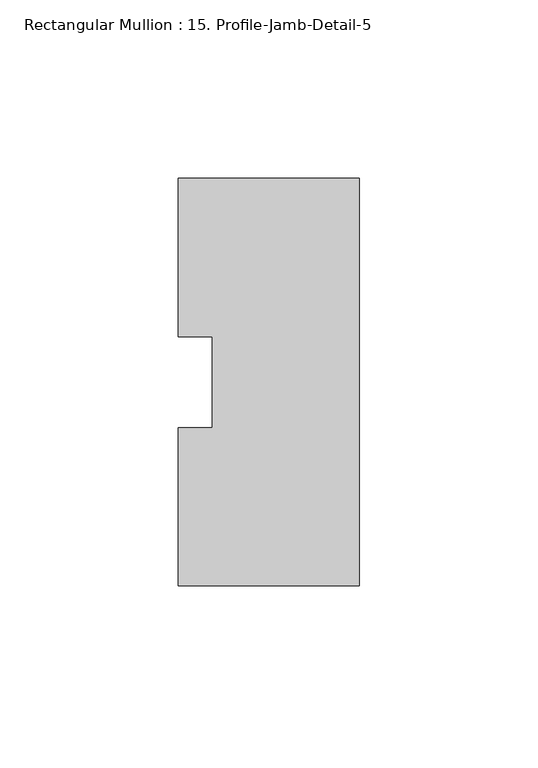
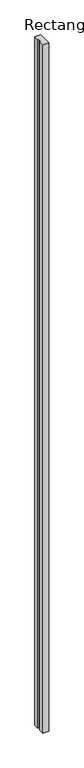
"""IFC4 building model written with IfcOpenShell, lengths in millimetres: member geometry, Rectangular Mullion : 15. Profile-Jamb-Detail-5."""

from ifc_helpers import new_model, si_unit, frame, origin, place, context, project, spatial, polyline, outline, extrude, source, transform, mapped, element, save


def rectangular_mullion_15_profile_jamb_detail_5_72744747(model_context):
    return source(origin(), model_context, "Body", "SweptSolid", [
        extrude(outline(polyline([(0.0, 60.033916), (0.0, -54.279165), (-50.8, -54.279165), (-50.8, -9.8618607), (-41.275, -9.8618607), (-41.275, 15.6258376), (-50.8, 15.6258376), (-50.8, 60.020835), (0.0, 60.033916)])), frame((0.0, 0.0, -6096.0), z_axis=(0.0, 0.0, 1.0), x_axis=(1.0, 0.0, 0.0)), (0.0, 0.0, 1.0), 6096.0),
    ])


if __name__ == "__main__":
    model = new_model("IFC4")
    model_context = context("Model", 3, world=origin())
    ifc_project = project(units=[si_unit("LENGTHUNIT", "METRE", prefix="MILLI")], contexts=[model_context])
    site = spatial("IfcSite", under=ifc_project)
    building = spatial("IfcBuilding", under=site)
    placement = place(None, origin())
    rectangular_mullion_15_profile_jamb_detail_5_shape = rectangular_mullion_15_profile_jamb_detail_5_72744747(model_context)
    element("IfcMember", 1, ObjectType="Rectangular Mullion : 15. Profile-Jamb-Detail-5", at=placement, inside=building, context=model_context, shape_type="MappedRepresentation", body=[
        mapped(rectangular_mullion_15_profile_jamb_detail_5_shape, transform((0.0, 0.0, 0.0), x_axis=(1.0, 0.0, 0.0), y_axis=(0.0, 1.0, 0.0), z_axis=(0.0, 0.0, 1.0))),
    ])
    save(model, "model.ifc")
